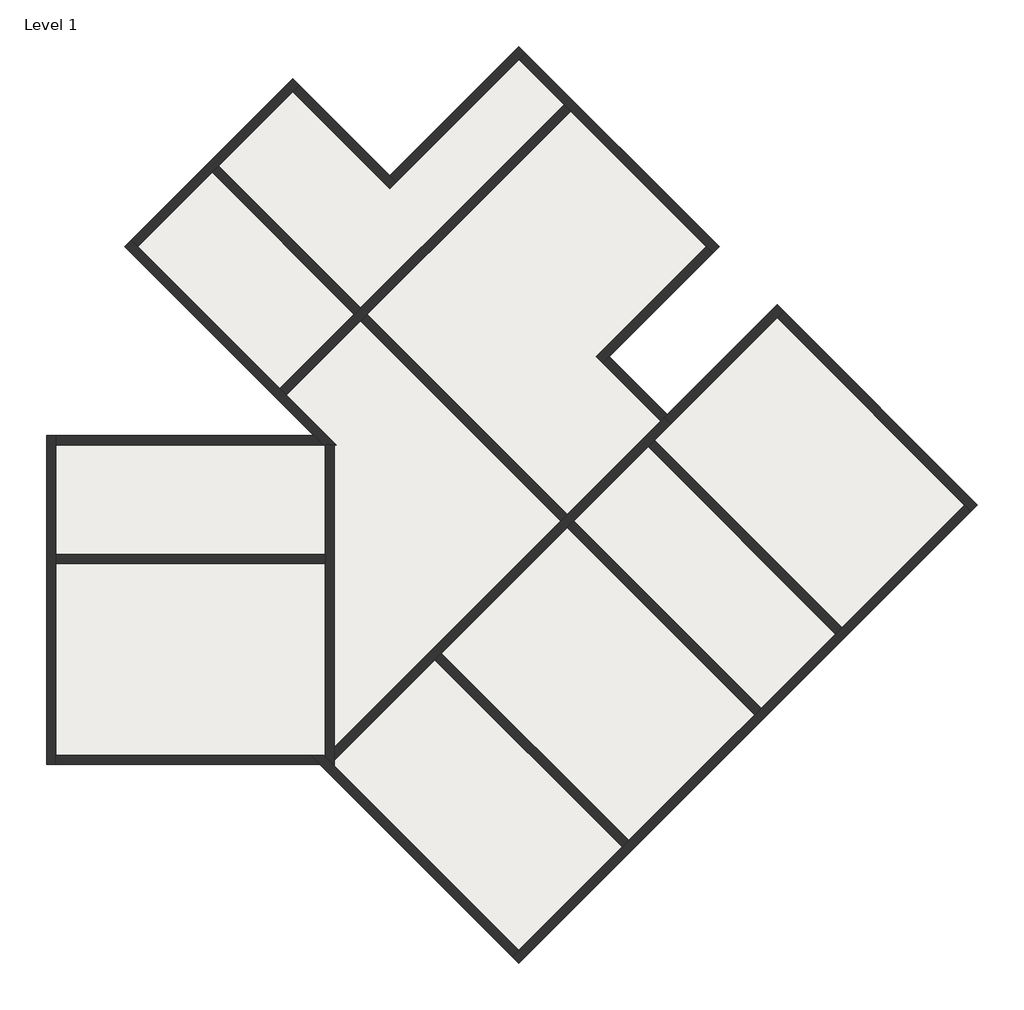
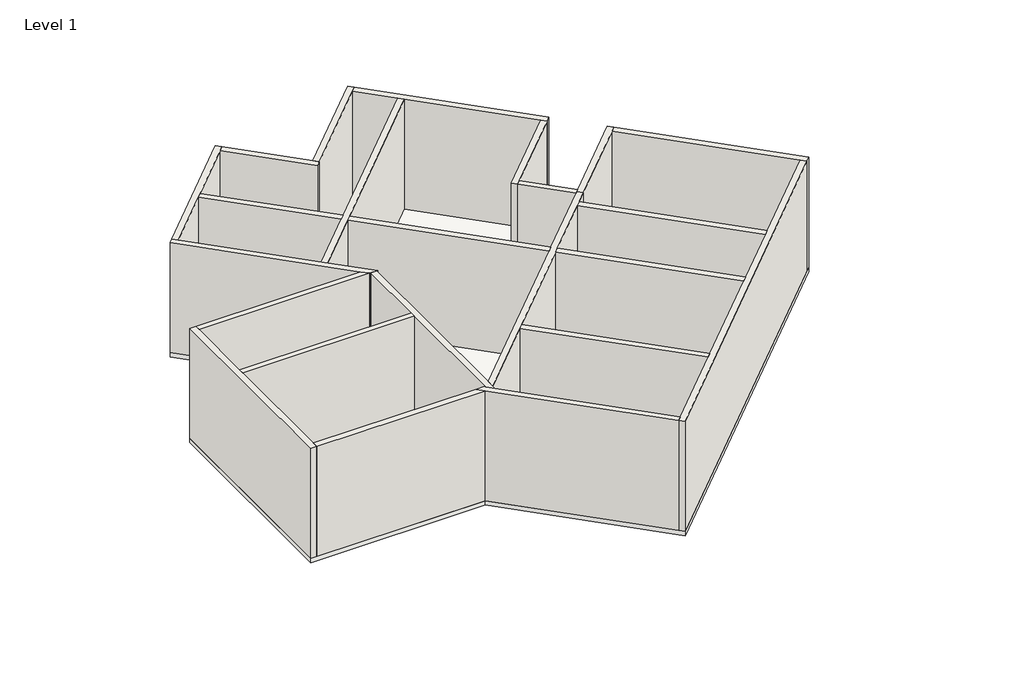
# One storey: 21 walls, 1 slab.
"""IFC4 building model written with IfcOpenShell, lengths in millimetres."""

from ifc_helpers import new_model, si_unit, frame, origin, origin_with_axes, place, context, project, spatial, polyline, outline, extrude, faceted_brep, element, save

model = new_model("IFC4")

# Units and contexts
model_context = context("Model", 3, world=origin())
ifc_project = project(units=[si_unit("LENGTHUNIT", "METRE", prefix="MILLI")], contexts=[model_context])

# Site, building, storey
site = spatial("IfcSite", under=ifc_project)
building = spatial("IfcBuilding", under=site)
storey = spatial("IfcBuildingStorey", under=building, Name="Level 1", Elevation=0.0)

# Slab
placement = place(None, origin())
element("IfcSlab", 1, ObjectType="Generic 150mm", at=placement, inside=storey, context=model_context, shape_type="SweptSolid", body=[
    extrude(outline(polyline([(-7978.4105374, 17478.6002073), (-4301.4552752, 21155.5554695), (-2180.1349316, 19034.2351259), (648.2921931, 21862.6622507), (5032.3542365, 17478.6002073), (2628.1911804, 15074.4371513), (3900.9833866, 13801.6449452), (6305.1464426, 16205.8080012), (10689.208486, 11821.7459578), (648.2921931, 1780.829665), (-3706.8376621, 6135.9595202), (-9694.348494, 6135.9595202), (-9694.348494, 13335.9595202), (-3835.7698502, 13335.9595202), (-7978.4105374, 17478.6002073)])), frame((0.0, 0.0, -150.0), z_axis=(0.0, 0.0, 1.0), x_axis=(1.0, 0.0, 0.0)), (0.0, 0.0, 1.0), 150.0),
])

# Walls
element("IfcWall", 2, ObjectType="Generic - 200mm", at=placement, inside=storey, context=model_context, shape_type="Brep", body=[
    faceted_brep([(-9494.348494, 6135.9595202, 0.0), (-9494.348494, 6335.9595202, 0.0), (-9494.348494, 10535.9595202, 0.0), (-9494.348494, 10735.9595202, 0.0), (-9494.348494, 13135.9595202, 0.0), (-9494.348494, 13335.9595202, 0.0), (-9494.348494, 13335.9595202, 4000.0), (-9494.348494, 13135.9595202, 4000.0), (-9494.348494, 10735.9595202, 4000.0), (-9494.348494, 10535.9595202, 4000.0), (-9494.348494, 6335.9595202, 4000.0), (-9494.348494, 6135.9595202, 4000.0), (-9694.348494, 6135.9595202, 0.0), (-9694.348494, 6135.9595202, 4000.0), (-9694.348494, 13335.9595202, 4000.0), (-9694.348494, 13335.9595202, 0.0)], [[[0, 1, 2, 3, 4, 5, 6, 7, 8, 9, 10, 11]], [[12, 13, 14, 15]], [[5, 4, 3, 2, 1, 0, 12, 15]], [[11, 10, 9, 8, 7, 6, 14, 13]], [[6, 5, 15, 14]], [[0, 11, 13, 12]]]),
])
element("IfcWall", 3, ObjectType="Generic - 200mm", at=placement, inside=storey, context=model_context, shape_type="SweptSolid", body=[
    extrude(outline(polyline([(-3635.7698502, 13135.9595202), (-9494.348494, 13135.9595202), (-9494.348494, 13335.9595202), (-3835.7698502, 13335.9595202), (-3635.7698502, 13135.9595202)])), origin_with_axes(), (0.0, 0.0, 1.0), 4000.0),
])
element("IfcWall", 4, ObjectType="Generic - 200mm", at=placement, inside=storey, context=model_context, shape_type="Brep", body=[
    faceted_brep([(-3352.9271378, 13135.9595202, 0.0), (-4442.8766314, 14225.9090139, 0.0), (-4584.2979877, 14367.3303701, 0.0), (-7695.5678249, 17478.6002073, 0.0), (-7836.9891811, 17620.0215636, 0.0), (-7836.9891811, 17620.0215636, 4000.0), (-7695.5678249, 17478.6002073, 4000.0), (-4584.2979877, 14367.3303701, 4000.0), (-4442.8766314, 14225.9090139, 4000.0), (-3352.9271378, 13135.9595202, 4000.0), (-3635.7698502, 13135.9595202, 0.0), (-3635.7698502, 13135.9595202, 4000.0), (-3835.7698502, 13335.9595202, 4000.0), (-7978.4105374, 17478.6002073, 4000.0), (-7978.4105374, 17478.6002073, 0.0), (-3835.7698502, 13335.9595202, 0.0)], [[[0, 1, 2, 3, 4, 5, 6, 7, 8, 9]], [[10, 11, 12, 13, 14, 15]], [[4, 3, 2, 1, 0, 10, 15, 14]], [[9, 8, 7, 6, 5, 13, 12, 11]], [[5, 4, 14, 13]], [[0, 9, 11, 10]]]),
])
element("IfcWall", 5, ObjectType="Generic - 200mm", at=placement, inside=storey, context=model_context, shape_type="Brep", body=[
    faceted_brep([(-7695.5678249, 17478.6002073, 0.0), (-6069.2222282, 19104.9458041, 0.0), (-5927.8008719, 19246.3671603, 0.0), (-4301.4552752, 20872.712757, 0.0), (-4160.033919, 21014.1341133, 0.0), (-4160.033919, 21014.1341133, 4000.0), (-4301.4552752, 20872.712757, 4000.0), (-5927.8008719, 19246.3671603, 4000.0), (-6069.2222282, 19104.9458041, 4000.0), (-7695.5678249, 17478.6002073, 4000.0), (-7836.9891811, 17620.0215636, 0.0), (-7836.9891811, 17620.0215636, 4000.0), (-4301.4552752, 21155.5554695, 4000.0), (-4301.4552752, 21155.5554695, 0.0)], [[[0, 1, 2, 3, 4, 5, 6, 7, 8, 9]], [[10, 11, 12, 13]], [[4, 3, 2, 1, 0, 10, 13]], [[9, 8, 7, 6, 5, 12, 11]], [[0, 9, 11, 10]], [[5, 4, 13, 12]]]),
])
element("IfcWall", 6, ObjectType="Generic - 200mm", at=placement, inside=storey, context=model_context, shape_type="Brep", body=[
    faceted_brep([(-4301.4552752, 20872.712757, 0.0), (-2180.1349316, 18751.3924135, 0.0), (-2180.1349316, 18751.3924135, 4000.0), (-4301.4552752, 20872.712757, 4000.0), (-4160.033919, 21014.1341133, 0.0), (-4160.033919, 21014.1341133, 4000.0), (-2180.1349316, 19034.2351259, 4000.0), (-2038.7135754, 18892.8137697, 4000.0), (-2038.7135754, 18892.8137697, 0.0), (-2180.1349316, 19034.2351259, 0.0)], [[[0, 1, 2, 3]], [[4, 5, 6, 7, 8, 9]], [[1, 0, 4, 9, 8]], [[3, 2, 7, 6, 5]], [[0, 3, 5, 4]], [[2, 1, 8, 7]]]),
])
element("IfcWall", 7, ObjectType="Generic - 200mm", at=placement, inside=storey, context=model_context, shape_type="Brep", body=[
    faceted_brep([(-2038.7135754, 18892.8137697, 0.0), (648.2921931, 21579.8195382, 0.0), (789.7135494, 21721.2408944, 0.0), (789.7135494, 21721.2408944, 4000.0), (648.2921931, 21579.8195382, 4000.0), (-2038.7135754, 18892.8137697, 4000.0), (-2180.1349316, 19034.2351259, 0.0), (-2180.1349316, 19034.2351259, 4000.0), (648.2921931, 21862.6622507, 4000.0), (648.2921931, 21862.6622507, 0.0)], [[[0, 1, 2, 3, 4, 5]], [[6, 7, 8, 9]], [[2, 1, 0, 6, 9]], [[5, 4, 3, 8, 7]], [[0, 5, 7, 6]], [[3, 2, 9, 8]]]),
])
element("IfcWall", 8, ObjectType="Generic - 200mm", at=placement, inside=storey, context=model_context, shape_type="Brep", body=[
    faceted_brep([(648.2921931, 21579.8195382, 0.0), (1638.2416868, 20589.8700445, 0.0), (1779.663043, 20448.4486883, 0.0), (4749.511524, 17478.6002073, 0.0), (4890.9328802, 17337.1788511, 0.0), (4890.9328802, 17337.1788511, 4000.0), (4749.511524, 17478.6002073, 4000.0), (1779.663043, 20448.4486883, 4000.0), (1638.2416868, 20589.8700445, 4000.0), (648.2921931, 21579.8195382, 4000.0), (789.7135494, 21721.2408944, 0.0), (789.7135494, 21721.2408944, 4000.0), (5032.3542365, 17478.6002073, 4000.0), (5032.3542365, 17478.6002073, 0.0)], [[[0, 1, 2, 3, 4, 5, 6, 7, 8, 9]], [[10, 11, 12, 13]], [[4, 3, 2, 1, 0, 10, 13]], [[9, 8, 7, 6, 5, 12, 11]], [[0, 9, 11, 10]], [[5, 4, 13, 12]]]),
])
element("IfcWall", 9, ObjectType="Generic - 200mm", at=placement, inside=storey, context=model_context, shape_type="Brep", body=[
    faceted_brep([(4749.511524, 17478.6002073, 0.0), (2345.348468, 15074.4371513, 0.0), (2345.348468, 15074.4371513, 4000.0), (4749.511524, 17478.6002073, 4000.0), (4890.9328802, 17337.1788511, 0.0), (4890.9328802, 17337.1788511, 4000.0), (2628.1911804, 15074.4371513, 4000.0), (2486.7698242, 14933.0157951, 4000.0), (2486.7698242, 14933.0157951, 0.0), (2628.1911804, 15074.4371513, 0.0)], [[[0, 1, 2, 3]], [[4, 5, 6, 7, 8, 9]], [[1, 0, 4, 9, 8]], [[3, 2, 7, 6, 5]], [[0, 3, 5, 4]], [[2, 1, 8, 7]]]),
])
element("IfcWall", 10, ObjectType="Generic - 200mm", at=placement, inside=storey, context=model_context, shape_type="Brep", body=[
    faceted_brep([(2486.7698242, 14933.0157951, 0.0), (3759.5620303, 13660.2235889, 0.0), (3759.5620303, 13660.2235889, 4000.0), (2486.7698242, 14933.0157951, 4000.0), (2628.1911804, 15074.4371513, 0.0), (2628.1911804, 15074.4371513, 4000.0), (3900.9833866, 13801.6449452, 4000.0), (3900.9833866, 13801.6449452, 0.0), (3830.2727085, 13730.934267, 0.0), (3830.2727085, 13730.934267, 4000.0)], [[[0, 1, 2, 3]], [[4, 5, 6, 7]], [[1, 0, 4, 7, 8]], [[3, 2, 9, 6, 5]], [[0, 3, 5, 4]], [[2, 1, 8, 7, 6, 9]]]),
])
element("IfcWall", 11, ObjectType="Generic - 200mm", at=placement, inside=storey, context=model_context, shape_type="Brep", body=[
    faceted_brep([(-3394.348494, 6223.4703521, 0.0), (-1190.185438, 8427.6334081, 0.0), (-1048.7640817, 8569.0547644, 0.0), (1708.9523649, 11326.771211, 0.0), (1850.3737211, 11468.1925672, 0.0), (3476.7193179, 13094.538164, 0.0), (3618.1406741, 13235.9595202, 0.0), (3971.6940647, 13589.5129108, 0.0), (3971.6940647, 13589.5129108, 4000.0), (3618.1406741, 13235.9595202, 4000.0), (3476.7193179, 13094.538164, 4000.0), (1850.3737211, 11468.1925672, 4000.0), (1708.9523649, 11326.771211, 4000.0), (-1048.7640817, 8569.0547644, 4000.0), (-1190.185438, 8427.6334081, 4000.0), (-3394.348494, 6223.4703521, 4000.0), (-3394.348494, 6506.3130646, 0.0), (-3394.348494, 6506.3130646, 4000.0), (1567.5310087, 11468.1925672, 4000.0), (1708.9523649, 11609.6139235, 4000.0), (3759.5620303, 13660.2235889, 4000.0), (3830.2727085, 13730.934267, 4000.0), (3830.2727085, 13730.934267, 0.0), (3759.5620303, 13660.2235889, 0.0), (1708.9523649, 11609.6139235, 0.0), (1567.5310087, 11468.1925672, 0.0)], [[[0, 1, 2, 3, 4, 5, 6, 7, 8, 9, 10, 11, 12, 13, 14, 15]], [[16, 17, 18, 19, 20, 21, 22, 23, 24, 25]], [[7, 6, 5, 4, 3, 2, 1, 0, 16, 25, 24, 23, 22]], [[8, 7, 22, 21]], [[15, 14, 13, 12, 11, 10, 9, 8, 21, 20, 19, 18, 17]], [[0, 15, 17, 16]]]),
])
element("IfcWall", 12, ObjectType="Generic - 200mm", at=placement, inside=storey, context=model_context, shape_type="Brep", body=[
    faceted_brep([(6305.1464426, 15922.9652887, 0.0), (10406.3657735, 11821.7459578, 0.0), (10547.7871297, 11680.3246016, 0.0), (10547.7871297, 11680.3246016, 4000.0), (10406.3657735, 11821.7459578, 4000.0), (6305.1464426, 15922.9652887, 4000.0), (6446.5677988, 16064.3866449, 0.0), (6446.5677988, 16064.3866449, 4000.0), (10689.208486, 11821.7459578, 4000.0), (10689.208486, 11821.7459578, 0.0)], [[[0, 1, 2, 3, 4, 5]], [[6, 7, 8, 9]], [[2, 1, 0, 6, 9]], [[5, 4, 3, 8, 7]], [[0, 5, 7, 6]], [[3, 2, 9, 8]]]),
])
element("IfcWall", 13, ObjectType="Generic - 200mm", at=placement, inside=storey, context=model_context, shape_type="Brep", body=[
    faceted_brep([(10406.3657735, 11821.7459578, 0.0), (7719.360005, 9134.7401893, 0.0), (7577.9386487, 8993.3188331, 0.0), (5951.593052, 7366.9732364, 0.0), (5810.1716958, 7225.5518801, 0.0), (3052.4552492, 4467.8354335, 0.0), (2911.0338929, 4326.4140773, 0.0), (648.2921931, 2063.6723775, 0.0), (506.8708369, 1922.2510212, 0.0), (506.8708369, 1922.2510212, 4000.0), (648.2921931, 2063.6723775, 4000.0), (2911.0338929, 4326.4140773, 4000.0), (3052.4552492, 4467.8354335, 4000.0), (5810.1716958, 7225.5518801, 4000.0), (5951.593052, 7366.9732364, 4000.0), (7577.9386487, 8993.3188331, 4000.0), (7719.360005, 9134.7401893, 4000.0), (10406.3657735, 11821.7459578, 4000.0), (10547.7871297, 11680.3246016, 0.0), (10547.7871297, 11680.3246016, 4000.0), (648.2921931, 1780.829665, 4000.0), (648.2921931, 1780.829665, 0.0)], [[[0, 1, 2, 3, 4, 5, 6, 7, 8, 9, 10, 11, 12, 13, 14, 15, 16, 17]], [[18, 19, 20, 21]], [[8, 7, 6, 5, 4, 3, 2, 1, 0, 18, 21]], [[17, 16, 15, 14, 13, 12, 11, 10, 9, 20, 19]], [[0, 17, 19, 18]], [[9, 8, 21, 20]]]),
])
element("IfcWall", 14, ObjectType="Generic - 200mm", at=placement, inside=storey, context=model_context, shape_type="Brep", body=[
    faceted_brep([(648.2921931, 2063.6723775, 0.0), (-3394.348494, 6106.3130646, 0.0), (-3594.348494, 6306.3130646, 0.0), (-3623.9949496, 6335.9595202, 0.0), (-3623.9949496, 6335.9595202, 4000.0), (-3594.348494, 6306.3130646, 4000.0), (-3394.348494, 6106.3130646, 4000.0), (648.2921931, 2063.6723775, 4000.0), (506.8708369, 1922.2510212, 0.0), (506.8708369, 1922.2510212, 4000.0), (-3706.8376621, 6135.9595202, 4000.0), (-3906.8376621, 6335.9595202, 4000.0), (-3906.8376621, 6335.9595202, 0.0), (-3706.8376621, 6135.9595202, 0.0)], [[[0, 1, 2, 3, 4, 5, 6, 7]], [[8, 9, 10, 11, 12, 13]], [[3, 2, 1, 0, 8, 13, 12]], [[7, 6, 5, 4, 11, 10, 9]], [[0, 7, 9, 8]], [[4, 3, 12, 11]]]),
])
element("IfcWall", 15, ObjectType="Generic - 200mm", at=placement, inside=storey, context=model_context, shape_type="SweptSolid", body=[
    extrude(outline(polyline([(-9494.348494, 6335.9595202), (-3906.8376621, 6335.9595202), (-3706.8376621, 6135.9595202), (-9494.348494, 6135.9595202), (-9494.348494, 6335.9595202)])), origin_with_axes(), (0.0, 0.0, 1.0), 4000.0),
])
element("IfcWall", 16, ObjectType="Generic - 200mm", at=placement, inside=storey, context=model_context, shape_type="Brep", body=[
    faceted_brep([(-4442.8766314, 14225.9090139, 0.0), (-2816.5310347, 15852.2546106, 0.0), (-2675.1096785, 15993.6759668, 0.0), (1779.663043, 20448.4486883, 0.0), (1779.663043, 20448.4486883, 4000.0), (-2675.1096785, 15993.6759668, 4000.0), (-2816.5310347, 15852.2546106, 4000.0), (-4442.8766314, 14225.9090139, 4000.0), (-4584.2979877, 14367.3303701, 0.0), (-4584.2979877, 14367.3303701, 4000.0), (-2957.9523909, 15993.6759668, 4000.0), (-2816.5310347, 16135.0973231, 4000.0), (1638.2416868, 20589.8700445, 4000.0), (1638.2416868, 20589.8700445, 0.0), (-2816.5310347, 16135.0973231, 0.0), (-2957.9523909, 15993.6759668, 0.0)], [[[0, 1, 2, 3, 4, 5, 6, 7]], [[8, 9, 10, 11, 12, 13, 14, 15]], [[3, 2, 1, 0, 8, 15, 14, 13]], [[7, 6, 5, 4, 12, 11, 10, 9]], [[0, 7, 9, 8]], [[4, 3, 13, 12]]]),
])
element("IfcWall", 17, ObjectType="Generic - 200mm", at=placement, inside=storey, context=model_context, shape_type="SweptSolid", body=[
    extrude(outline(polyline([(-6069.2222282, 19104.9458041), (-5927.8008719, 19246.3671603), (-2816.5310347, 16135.0973231), (-2957.9523909, 15993.6759668), (-6069.2222282, 19104.9458041)])), origin_with_axes(), (0.0, 0.0, 1.0), 4000.0),
    extrude(outline(polyline([(5951.593052, 7366.9732364), (5810.1716958, 7225.5518801), (1708.9523649, 11326.771211), (1850.3737211, 11468.1925672), (5951.593052, 7366.9732364)])), origin_with_axes(), (0.0, 0.0, 1.0), 4000.0),
    extrude(outline(polyline([(-2816.5310347, 15852.2546106), (-2675.1096785, 15993.6759668), (1708.9523649, 11609.6139235), (1567.5310087, 11468.1925672), (-2816.5310347, 15852.2546106)])), origin_with_axes(), (0.0, 0.0, 1.0), 4000.0),
])
element("IfcWall", 18, ObjectType="Generic - 200mm", at=placement, inside=storey, context=model_context, shape_type="Brep", body=[
    faceted_brep([(-3394.348494, 6106.3130646, 0.0), (-3394.348494, 6223.4703521, 0.0), (-3394.348494, 6506.3130646, 0.0), (-3394.348494, 13135.9595202, 0.0), (-3394.348494, 13135.9595202, 4000.0), (-3394.348494, 6506.3130646, 4000.0), (-3394.348494, 6223.4703521, 4000.0), (-3394.348494, 6106.3130646, 4000.0), (-3594.348494, 6306.3130646, 0.0), (-3594.348494, 6306.3130646, 4000.0), (-3594.348494, 10535.9595202, 4000.0), (-3594.348494, 10735.9595202, 4000.0), (-3594.348494, 13135.9595202, 4000.0), (-3594.348494, 13135.9595202, 0.0), (-3594.348494, 10735.9595202, 0.0), (-3594.348494, 10535.9595202, 0.0)], [[[0, 1, 2, 3, 4, 5, 6, 7]], [[8, 9, 10, 11, 12, 13, 14, 15]], [[3, 2, 1, 0, 8, 15, 14, 13]], [[4, 3, 13, 12]], [[7, 6, 5, 4, 12, 11, 10, 9]], [[0, 7, 9, 8]]]),
])
element("IfcWall", 19, ObjectType="Generic - 200mm", at=placement, inside=storey, context=model_context, shape_type="SweptSolid", body=[
    extrude(outline(polyline([(-9494.348494, 10735.9595202), (-3594.348494, 10735.9595202), (-3594.348494, 10535.9595202), (-9494.348494, 10535.9595202), (-9494.348494, 10735.9595202)])), origin_with_axes(), (0.0, 0.0, 1.0), 4000.0),
])
element("IfcWall", 20, ObjectType="Generic - 200mm", at=placement, inside=storey, context=model_context, shape_type="SweptSolid", body=[
    extrude(outline(polyline([(7577.9386487, 8993.3188331), (3476.7193179, 13094.538164), (3618.1406741, 13235.9595202), (7719.360005, 9134.7401893), (7577.9386487, 8993.3188331)])), origin_with_axes(), (0.0, 0.0, 1.0), 4000.0),
])
element("IfcWall", 21, ObjectType="Generic - 200mm", at=placement, inside=storey, context=model_context, shape_type="SweptSolid", body=[
    extrude(outline(polyline([(2911.0338929, 4326.4140773), (-1190.185438, 8427.6334081), (-1048.7640817, 8569.0547644), (3052.4552492, 4467.8354335), (2911.0338929, 4326.4140773)])), origin_with_axes(), (0.0, 0.0, 1.0), 4000.0),
])
element("IfcWall", 22, ObjectType="Generic - 200mm", at=placement, inside=storey, context=model_context, shape_type="Brep", body=[
    faceted_brep([(3971.6940647, 13589.5129108, 0.0), (6305.1464426, 15922.9652887, 0.0), (6446.5677988, 16064.3866449, 0.0), (6446.5677988, 16064.3866449, 4000.0), (6305.1464426, 15922.9652887, 4000.0), (3971.6940647, 13589.5129108, 4000.0), (3830.2727085, 13730.934267, 0.0), (3830.2727085, 13730.934267, 4000.0), (3900.9833866, 13801.6449452, 4000.0), (6305.1464426, 16205.8080012, 4000.0), (6305.1464426, 16205.8080012, 0.0), (3900.9833866, 13801.6449452, 0.0)], [[[0, 1, 2, 3, 4, 5]], [[6, 7, 8, 9, 10, 11]], [[2, 1, 0, 6, 11, 10]], [[5, 4, 3, 9, 8, 7]], [[0, 5, 7, 6]], [[3, 2, 10, 9]]]),
])

save(model, "model.ifc")
